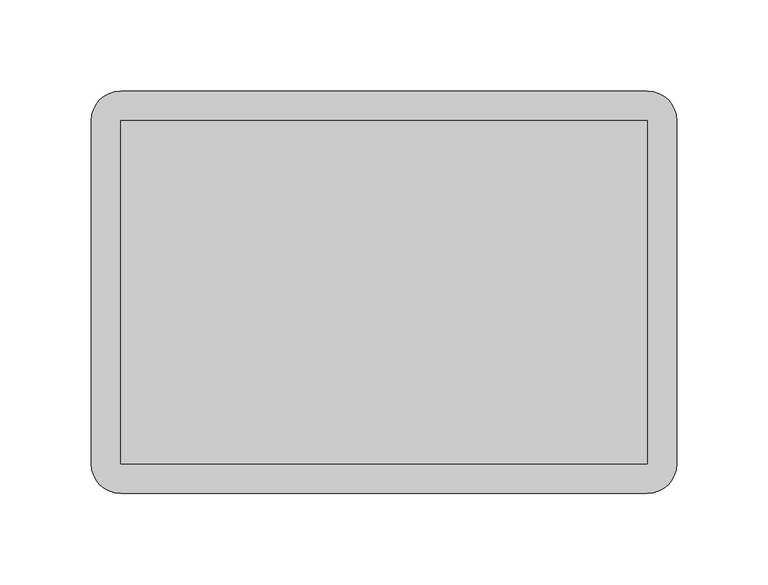
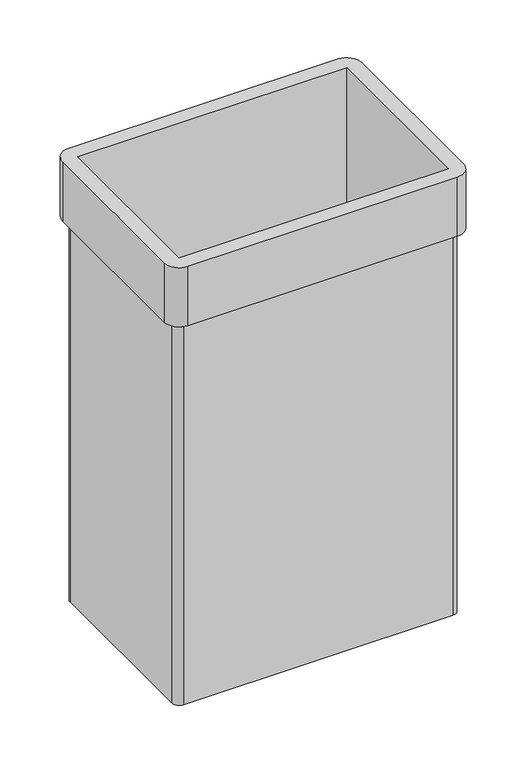
"""IFC4 building model written with IfcOpenShell, lengths in millimetres: furniture geometry."""

import ifcopenshell
import ifcopenshell.guid

model = None  # the IFC model being written
_history = None  # IfcOwnerHistory: only IFC2X3 demands one
_inside = {}  # id of a spatial element -> (the spatial element, [elements in it])
_under = {}  # id of a project, library or spatial element -> (it, [spatial elements below it])
_declared = {}  # id of a project -> (the project, [libraries it declares])
_typed = {}  # id of a type object -> (the type object, [elements of that type])
_made_of = {}  # id of a material, layer set ... -> (it, [elements and type objects made of it])


def new_model(schema):
    """Start an empty IFC model of exactly this schema.

    Asked for "IFC4X3", IfcOpenShell would pick the latest addendum, in which some entities
    have other attributes; the version numbers below select the first issue.
    IFC2X3 requires an IfcOwnerHistory on every rooted entity: one is made here for all.
    """
    global model, _history
    if schema == "IFC4X3":
        model = ifcopenshell.file(schema_version=(4, 3, 0, 0))
    else:
        model = ifcopenshell.file(schema=schema)
    _inside.clear()
    _under.clear()
    _declared.clear()
    _typed.clear()
    _made_of.clear()
    _history = None
    if model.schema == "IFC2X3":
        org = make("IfcOrganization", Name="unknown")
        user = make(
            "IfcPersonAndOrganization",
            ThePerson=make("IfcPerson", FamilyName="unknown"),
            TheOrganization=org,
        )
        app = make(
            "IfcApplication",
            ApplicationDeveloper=org,
            Version="unknown",
            ApplicationFullName="unknown",
            ApplicationIdentifier="unknown",
        )
        _history = make(
            "IfcOwnerHistory",
            OwningUser=user,
            OwningApplication=app,
            ChangeAction="ADDED",
            CreationDate=0,
        )
    return model


def make(cls, **values):
    """One entity of the class cls with the attributes given. An attribute that is None is left unset."""
    return model.create_entity(
        cls, **{name: value for name, value in values.items() if value is not None}
    )


def rooted(cls, **values):
    """An entity with a GlobalId (a new one), such as an element, a storey or a relation."""
    return make(cls, GlobalId=ifcopenshell.guid.new(), OwnerHistory=_history, **values)


def si_unit(unit_type, name, prefix=None):
    """IfcSIUnit, for example si_unit("LENGTHUNIT", "METRE", prefix="MILLI")."""
    return make("IfcSIUnit", UnitType=unit_type, Prefix=prefix, Name=name)


def assignment(units):
    """IfcUnitAssignment: the units of a project."""
    return None if units is None else make("IfcUnitAssignment", Units=units)


def point(xyz):
    """IfcCartesianPoint."""
    return None if xyz is None else make("IfcCartesianPoint", Coordinates=xyz)


def direction(xyz):
    """IfcDirection."""
    return None if xyz is None else make("IfcDirection", DirectionRatios=xyz)


def frame(location, z_axis=None, x_axis=None):
    """IfcAxis2Placement3D, a coordinate frame: its origin and axes. An axis left out is left unset."""
    return make(
        "IfcAxis2Placement3D",
        Location=point(location),
        Axis=direction(z_axis),
        RefDirection=direction(x_axis),
    )


def origin():
    """The frame at (0, 0, 0) with its axes left unset."""
    return frame((0.0, 0.0, 0.0))


def place(relative_to, where):
    """IfcLocalPlacement: puts the frame where relative to a parent placement (None: the world)."""
    return make(
        "IfcLocalPlacement", PlacementRelTo=relative_to, RelativePlacement=where
    )


def context(
    kind, dimensions, precision=None, world=None, true_north=None, identifier=None
):
    """IfcGeometricRepresentationContext, for example the 3D "Model" context."""
    return make(
        "IfcGeometricRepresentationContext",
        ContextIdentifier=identifier,
        ContextType=kind,
        CoordinateSpaceDimension=dimensions,
        Precision=precision,
        WorldCoordinateSystem=world,
        TrueNorth=true_north,
    )


def project(units=None, contexts=None):
    """IfcProject with its units and contexts."""
    return rooted(
        "IfcProject",
        Name="project",
        RepresentationContexts=contexts,
        UnitsInContext=assignment(units),
    )


def spatial(cls, under=None, at=None, **own):
    """A site, building, storey or space (cls), placed at a placement, below another one or the project."""
    s = rooted(cls, ObjectPlacement=at, **own)
    if under is not None:
        _under.setdefault(under.id(), (under, []))[1].append(s)
    return s


def circle_curve(where, radius):
    """IfcCircle in the frame where."""
    return make("IfcCircle", Position=where, Radius=radius)


def shape(context_of_items, identifier, shape_type, items):
    """IfcShapeRepresentation: the items that make up one representation, for example the "Body"."""
    return make(
        "IfcShapeRepresentation",
        ContextOfItems=context_of_items,
        RepresentationIdentifier=identifier,
        RepresentationType=shape_type,
        Items=items,
    )


def source(mapping_origin, context_of_items, identifier, shape_type, items):
    """IfcRepresentationMap: a shape defined once, which mapped items show again and again."""
    return make(
        "IfcRepresentationMap",
        MappingOrigin=mapping_origin,
        MappedRepresentation=shape(context_of_items, identifier, shape_type, items),
    )


def transform(
    local_origin,
    x_axis=None,
    y_axis=None,
    z_axis=None,
    scale=None,
    scale2=None,
    scale3=None,
    uniform=True,
):
    """IfcCartesianTransformationOperator3D, or its non-uniform kind. x_axis, y_axis, z_axis: its Axis1, 2, 3."""
    if uniform:
        return make(
            "IfcCartesianTransformationOperator3D",
            Axis1=direction(x_axis),
            Axis2=direction(y_axis),
            LocalOrigin=point(local_origin),
            Scale=scale,
            Axis3=direction(z_axis),
        )
    return make(
        "IfcCartesianTransformationOperator3DnonUniform",
        Axis1=direction(x_axis),
        Axis2=direction(y_axis),
        LocalOrigin=point(local_origin),
        Scale=scale,
        Axis3=direction(z_axis),
        Scale2=scale2,
        Scale3=scale3,
    )


def mapped(mapping_source, mapping_target):
    """IfcMappedItem: shows the shape of a source again, moved by a transform."""
    return make(
        "IfcMappedItem", MappingSource=mapping_source, MappingTarget=mapping_target
    )


def made_of(thing, what):
    """Note that an element or type object is made of a material, layer set ...; save() writes the relation."""
    if what is not None:
        _made_of.setdefault(what.id(), (what, []))[1].append(thing)
    return thing


def element(
    cls,
    number,
    at=None,
    inside=None,
    cuts=None,
    type_object=None,
    material=None,
    context=None,
    identifier="Body",
    shape_type=None,
    held_by="IfcProductDefinitionShape",
    body=None,
    shapes=None,
    **own,
):
    """One element of the class cls, such as IfcWall. Its Tag is "e" and its number.

    at: its placement. inside: the storey or other place that contains it. cuts: it is an
    opening in that element (IfcRelVoidsElement). A single representation is given by context,
    identifier, shape_type and body (its items); several are given by shapes. held_by: the class
    of the entity that holds the representations. save() writes the other relations.
    """
    e = rooted(cls, Tag="e%d" % number, ObjectPlacement=at, **own)
    if body is not None:
        shapes = [shape(context, identifier, shape_type, body)]
    if shapes is not None:
        e.Representation = make(held_by, Representations=shapes)
    if inside is not None:
        _inside.setdefault(inside.id(), (inside, []))[1].append(e)
    if cuts is not None:
        rooted(
            "IfcRelVoidsElement", RelatingBuildingElement=cuts, RelatedOpeningElement=e
        )
    if type_object is not None:
        _typed.setdefault(type_object.id(), (type_object, []))[1].append(e)
    return made_of(e, material)


def aggregate(whole, parts):
    """IfcRelAggregates: a whole, such as a stair, and the parts it consists of."""
    return rooted("IfcRelAggregates", RelatingObject=whole, RelatedObjects=parts)


def save(model, path):
    """Write the relations noted so far, then the file.

    IfcRelAggregates (storeys below a building ...), IfcRelContainedInSpatialStructure (elements
    in a storey), IfcRelDefinesByType, IfcRelAssociatesMaterial and IfcRelDeclares: one each for
    every whole, place, type object, material and project.
    """
    for whole, parts in _under.values():
        aggregate(whole, parts)
    for where, things in _inside.values():
        rooted(
            "IfcRelContainedInSpatialStructure",
            RelatedElements=things,
            RelatingStructure=where,
        )
    for kind, things in _typed.values():
        rooted("IfcRelDefinesByType", RelatedObjects=things, RelatingType=kind)
    for what, things in _made_of.values():
        rooted("IfcRelAssociatesMaterial", RelatedObjects=things, RelatingMaterial=what)
    for by, libraries in _declared.values():
        rooted("IfcRelDeclares", RelatingContext=by, RelatedDefinitions=libraries)
    model.write(path)


def plane_surface(at):
    """IfcPlane: the flat surface through the origin of the frame at, square to its z axis."""
    return make("IfcPlane", Position=at)


def cylinder_surface(at, radius):
    """IfcCylindricalSurface: all points at the distance radius from the z axis of the frame at."""
    return make("IfcCylindricalSurface", Position=at, Radius=radius)


def advanced_brep(points, edges, surfaces, faces):
    """IfcAdvancedBrep: a solid bounded by faces that lie on surfaces and meet in shared edges.

    An edge is (start, end): straight between two places in points (the first is 0);
    or (start, end, curve); or (start, end, curve, False) where it runs against its curve.
    A face is (place in surfaces, loops), or (place, loops, False) where it looks against
    its surface's normal. A loop lists edges by number (the first is 1), with a minus sign
    where the edge is run from its end to its start. The first loop is the outer one.
    """
    corners = [point(p) for p in points]
    vertices = [make("IfcVertexPoint", VertexGeometry=c) for c in corners]
    made = []
    for start, end, *more in edges:
        made.append(
            make(
                "IfcEdgeCurve",
                EdgeStart=vertices[start],
                EdgeEnd=vertices[end],
                EdgeGeometry=more[0] if more else make("IfcPolyline", Points=[corners[start], corners[end]]),
                SameSense=more[1] if len(more) > 1 else True,
            )
        )
    hull = []
    for where, loops, *sense in faces:
        bounds = []
        for j, loop in enumerate(loops):
            ring = [make("IfcOrientedEdge", EdgeElement=made[abs(k) - 1], Orientation=k > 0) for k in loop]
            bounds.append(
                make(
                    "IfcFaceOuterBound" if j == 0 else "IfcFaceBound",
                    Bound=make("IfcEdgeLoop", EdgeList=ring),
                    Orientation=True,
                )
            )
        hull.append(make("IfcAdvancedFace", Bounds=bounds, FaceSurface=surfaces[where], SameSense=sense[0] if sense else True))
    return make("IfcAdvancedBrep", Outer=make("IfcClosedShell", CfsFaces=hull))


def furniture_a83150f9(model_context):
    return source(origin(), model_context, "Body", "AdvancedBrep", [
        advanced_brep(
        [(144.0, 102.0, 0.0), (152.0, 94.0, 0.0), (152.0, -94.0, 0.0), (144.0, -102.0, 0.0), (-144.0, -102.0, 0.0), (-152.0, -94.0, 0.0), (-152.0, 94.0, 0.0), (-144.0, 102.0, 0.0), (144.0, 94.0, 8.0), (144.0, -94.0, 8.0), (144.0, -94.0, 500.0), (144.0, 94.0, 500.0), (-144.0, -94.0, 8.0), (-144.0, -94.0, 500.0), (-144.0, 94.0, 8.0), (-144.0, 94.0, 500.0), (-144.0, 102.0, 433.0), (144.0, 102.0, 433.0), (-152.0, 94.0, 433.0), (-152.0, -94.0, 433.0), (-144.0, -102.0, 433.0), (144.0, -102.0, 433.0), (152.0, -94.0, 433.0), (152.0, 94.0, 433.0), (144.0, 110.0, 500.0), (-144.0, 110.0, 500.0), (-160.0, 94.0, 500.0), (-160.0, -94.0, 500.0), (-144.0, -110.0, 500.0), (144.0, -110.0, 500.0), (160.0, -94.0, 500.0), (160.0, 94.0, 500.0), (144.0, 110.0, 433.0), (160.0, 94.0, 433.0), (160.0, -94.0, 433.0), (144.0, -110.0, 433.0), (-144.0, -110.0, 433.0), (-160.0, -94.0, 433.0), (-160.0, 94.0, 433.0), (-144.0, 110.0, 433.0)],
        [
            (0, 1, circle_curve(frame((144.0, 94.0, 0.0), z_axis=(0.0, 0.0, -1.0), x_axis=(1.0, 0.0, 0.0)), 8.0)),
            (1, 2),
            (2, 3, circle_curve(frame((144.0, -94.0, 0.0), z_axis=(0.0, 0.0, -1.0), x_axis=(1.0, 0.0, 0.0)), 8.0)),
            (3, 4),
            (4, 5, circle_curve(frame((-144.0, -94.0, 0.0), z_axis=(0.0, 0.0, -1.0), x_axis=(1.0, 0.0, 0.0)), 8.0)),
            (5, 6),
            (6, 7, circle_curve(frame((-144.0, 94.0, 0.0), z_axis=(0.0, 0.0, -1.0), x_axis=(1.0, 0.0, 0.0)), 8.0)),
            (7, 0),
            (8, 9),
            (9, 10),
            (10, 11),
            (11, 8),
            (9, 12),
            (12, 13),
            (13, 10),
            (12, 14),
            (14, 15),
            (15, 13),
            (11, 15),
            (14, 8),
            (7, 16),
            (16, 17),
            (17, 0),
            (6, 18),
            (18, 16, circle_curve(frame((-144.0, 94.0, 433.0), z_axis=(0.0, 0.0, -1.0), x_axis=(1.0, 0.0, 0.0)), 8.0)),
            (5, 19),
            (19, 18),
            (4, 20),
            (20, 19, circle_curve(frame((-144.0, -94.0, 433.0), z_axis=(0.0, 0.0, -1.0), x_axis=(1.0, 0.0, 0.0)), 8.0)),
            (3, 21),
            (21, 20),
            (2, 22),
            (22, 21, circle_curve(frame((144.0, -94.0, 433.0), z_axis=(0.0, 0.0, -1.0), x_axis=(1.0, 0.0, 0.0)), 8.0)),
            (1, 23),
            (23, 22),
            (17, 23, circle_curve(frame((144.0, 94.0, 433.0), z_axis=(0.0, 0.0, -1.0), x_axis=(1.0, 0.0, 0.0)), 8.0)),
            (24, 25),
            (25, 26, circle_curve(frame((-144.0, 94.0, 500.0), z_axis=(0.0, 0.0, 1.0), x_axis=(1.0, 0.0, 0.0)), 16.0)),
            (26, 27),
            (27, 28, circle_curve(frame((-144.0, -94.0, 500.0), z_axis=(0.0, 0.0, 1.0), x_axis=(1.0, 0.0, 0.0)), 16.0)),
            (28, 29),
            (29, 30, circle_curve(frame((144.0, -94.0, 500.0), z_axis=(0.0, 0.0, 1.0), x_axis=(1.0, 0.0, 0.0)), 16.0)),
            (30, 31),
            (31, 24, circle_curve(frame((144.0, 94.0, 500.0), z_axis=(0.0, 0.0, 1.0), x_axis=(1.0, 0.0, 0.0)), 16.0)),
            (32, 33, circle_curve(frame((144.0, 94.0, 433.0), z_axis=(0.0, 0.0, -1.0), x_axis=(1.0, 0.0, 0.0)), 16.0)),
            (33, 34),
            (34, 35, circle_curve(frame((144.0, -94.0, 433.0), z_axis=(0.0, 0.0, -1.0), x_axis=(1.0, 0.0, 0.0)), 16.0)),
            (35, 36),
            (36, 37, circle_curve(frame((-144.0, -94.0, 433.0), z_axis=(0.0, 0.0, -1.0), x_axis=(1.0, 0.0, 0.0)), 16.0)),
            (37, 38),
            (38, 39, circle_curve(frame((-144.0, 94.0, 433.0), z_axis=(0.0, 0.0, -1.0), x_axis=(1.0, 0.0, 0.0)), 16.0)),
            (39, 32),
            (24, 32),
            (39, 25),
            (38, 26),
            (37, 27),
            (36, 28),
            (35, 29),
            (34, 30),
            (33, 31),
        ],
        [
            plane_surface(frame((144.0, 94.0, 0.0), z_axis=(0.0, 0.0, -1.0), x_axis=(0.0, 1.0, 0.0))),
            plane_surface(frame((144.0, 94.0, 433.0), z_axis=(-1.0, 0.0, 0.0), x_axis=(0.0, 0.0, -1.0))),
            plane_surface(frame((144.0, -94.0, 433.0), z_axis=(0.0, 1.0, 0.0), x_axis=(0.0, 0.0, -1.0))),
            plane_surface(frame((-144.0, -94.0, 433.0), z_axis=(1.0, 0.0, 0.0), x_axis=(0.0, 0.0, -1.0))),
            plane_surface(frame((-144.0, 94.0, 433.0), z_axis=(0.0, -1.0, 0.0), x_axis=(0.0, 0.0, -1.0))),
            plane_surface(frame((144.0, 102.0, 433.0), z_axis=(0.0, 1.0, 0.0), x_axis=(0.0, 0.0, -1.0))),
            cylinder_surface(frame((-144.0, 94.0, 0.0), z_axis=(0.0, 0.0, 1.0), x_axis=(1.0, 0.0, 0.0)), 8.0),
            plane_surface(frame((-152.0, 94.0, 433.0), z_axis=(-1.0, 0.0, 0.0), x_axis=(0.0, 0.0, -1.0))),
            cylinder_surface(frame((-144.0, -94.0, 0.0), z_axis=(0.0, 0.0, 1.0), x_axis=(1.0, 0.0, 0.0)), 8.0),
            plane_surface(frame((-144.0, -102.0, 433.0), z_axis=(0.0, -1.0, 0.0), x_axis=(0.0, 0.0, -1.0))),
            cylinder_surface(frame((144.0, -94.0, 0.0), z_axis=(0.0, 0.0, 1.0), x_axis=(1.0, 0.0, 0.0)), 8.0),
            plane_surface(frame((152.0, -94.0, 433.0), z_axis=(1.0, 0.0, 0.0), x_axis=(0.0, 0.0, -1.0))),
            cylinder_surface(frame((144.0, 94.0, 0.0), z_axis=(0.0, 0.0, 1.0), x_axis=(1.0, 0.0, 0.0)), 8.0),
            plane_surface(frame((-144.0, 94.0, 8.0), z_axis=(0.0, 0.0, 1.0), x_axis=(-1.0, 0.0, 0.0))),
            plane_surface(frame((144.0, 110.0, 500.0), z_axis=(0.0, 0.0, 1.0), x_axis=(-1.0, 0.0, 0.0))),
            plane_surface(frame((144.0, 110.0, 433.0), z_axis=(0.0, 0.0, -1.0), x_axis=(1.0, 0.0, 0.0))),
            plane_surface(frame((144.0, 110.0, 500.0), z_axis=(0.0, 1.0, 0.0), x_axis=(0.0, 0.0, -1.0))),
            cylinder_surface(frame((-144.0, 94.0, 433.0), z_axis=(0.0, 0.0, 1.0), x_axis=(1.0, 0.0, 0.0)), 16.0),
            plane_surface(frame((-160.0, 94.0, 500.0), z_axis=(-1.0, 0.0, 0.0), x_axis=(0.0, 0.0, -1.0))),
            cylinder_surface(frame((-144.0, -94.0, 433.0), z_axis=(0.0, 0.0, 1.0), x_axis=(1.0, 0.0, 0.0)), 16.0),
            plane_surface(frame((-144.0, -110.0, 500.0), z_axis=(0.0, -1.0, 0.0), x_axis=(0.0, 0.0, -1.0))),
            cylinder_surface(frame((144.0, -94.0, 433.0), z_axis=(0.0, 0.0, 1.0), x_axis=(1.0, 0.0, 0.0)), 16.0),
            plane_surface(frame((160.0, -94.0, 500.0), z_axis=(1.0, 0.0, 0.0), x_axis=(0.0, 0.0, -1.0))),
            cylinder_surface(frame((144.0, 94.0, 433.0), z_axis=(0.0, 0.0, 1.0), x_axis=(1.0, 0.0, 0.0)), 16.0),
        ],
        [
            (0, [[1, 2, 3, 4, 5, 6, 7, 8]]),
            (1, [[9, 10, 11, 12]]),
            (2, [[-10, 13, 14, 15]]),
            (3, [[-14, 16, 17, 18]]),
            (4, [[-12, 19, -17, 20]]),
            (5, [[-8, 21, 22, 23]]),
            (6, [[-7, 24, 25, -21]]),
            (7, [[-6, 26, 27, -24]]),
            (8, [[-5, 28, 29, -26]]),
            (9, [[-4, 30, 31, -28]]),
            (10, [[-3, 32, 33, -30]]),
            (11, [[-2, 34, 35, -32]]),
            (12, [[-1, -23, 36, -34]]),
            (13, [[-9, -20, -16, -13]]),
            (14, [[37, 38, 39, 40, 41, 42, 43, 44], [-11, -15, -18, -19]]),
            (15, [[45, 46, 47, 48, 49, 50, 51, 52], [-22, -25, -27, -29, -31, -33, -35, -36]]),
            (16, [[-37, 53, -52, 54]]),
            (17, [[-38, -54, -51, 55]]),
            (18, [[-39, -55, -50, 56]]),
            (19, [[-40, -56, -49, 57]]),
            (20, [[-41, -57, -48, 58]]),
            (21, [[-42, -58, -47, 59]]),
            (22, [[-43, -59, -46, 60]]),
            (23, [[-44, -60, -45, -53]]),
        ],
    ),
    ])


if __name__ == "__main__":
    model = new_model("IFC4")
    model_context = context("Model", 3, world=origin())
    ifc_project = project(units=[si_unit("LENGTHUNIT", "METRE", prefix="MILLI")], contexts=[model_context])
    site = spatial("IfcSite", under=ifc_project)
    building = spatial("IfcBuilding", under=site)
    placement = place(None, origin())
    furniture_shape = furniture_a83150f9(model_context)
    element("IfcFurniture", 1, at=placement, inside=building, context=model_context, shape_type="MappedRepresentation", body=[
        mapped(furniture_shape, transform((0.0, 0.0, 0.0), x_axis=(1.0, 0.0, 0.0), y_axis=(0.0, 1.0, 0.0), z_axis=(0.0, 0.0, 1.0))),
    ])
    save(model, "model.ifc")
